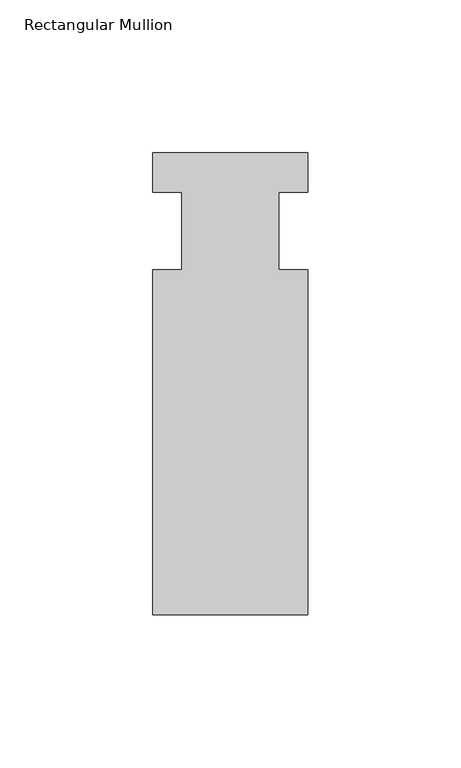
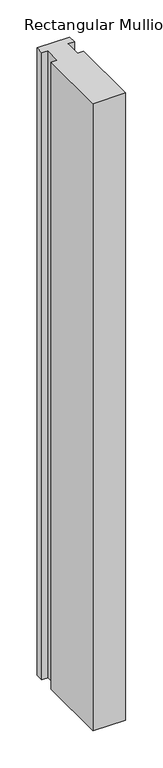
"""IFC4 building model written with IfcOpenShell, lengths in millimetres: member geometry, Rectangular Mullion."""

import ifcopenshell
import ifcopenshell.guid

model = None  # the IFC model being written
_history = None  # IfcOwnerHistory: only IFC2X3 demands one
_inside = {}  # id of a spatial element -> (the spatial element, [elements in it])
_under = {}  # id of a project, library or spatial element -> (it, [spatial elements below it])
_declared = {}  # id of a project -> (the project, [libraries it declares])
_typed = {}  # id of a type object -> (the type object, [elements of that type])
_made_of = {}  # id of a material, layer set ... -> (it, [elements and type objects made of it])


def new_model(schema):
    """Start an empty IFC model of exactly this schema.

    Asked for "IFC4X3", IfcOpenShell would pick the latest addendum, in which some entities
    have other attributes; the version numbers below select the first issue.
    IFC2X3 requires an IfcOwnerHistory on every rooted entity: one is made here for all.
    """
    global model, _history
    if schema == "IFC4X3":
        model = ifcopenshell.file(schema_version=(4, 3, 0, 0))
    else:
        model = ifcopenshell.file(schema=schema)
    _inside.clear()
    _under.clear()
    _declared.clear()
    _typed.clear()
    _made_of.clear()
    _history = None
    if model.schema == "IFC2X3":
        org = make("IfcOrganization", Name="unknown")
        user = make(
            "IfcPersonAndOrganization",
            ThePerson=make("IfcPerson", FamilyName="unknown"),
            TheOrganization=org,
        )
        app = make(
            "IfcApplication",
            ApplicationDeveloper=org,
            Version="unknown",
            ApplicationFullName="unknown",
            ApplicationIdentifier="unknown",
        )
        _history = make(
            "IfcOwnerHistory",
            OwningUser=user,
            OwningApplication=app,
            ChangeAction="ADDED",
            CreationDate=0,
        )
    return model


def make(cls, **values):
    """One entity of the class cls with the attributes given. An attribute that is None is left unset."""
    return model.create_entity(
        cls, **{name: value for name, value in values.items() if value is not None}
    )


def rooted(cls, **values):
    """An entity with a GlobalId (a new one), such as an element, a storey or a relation."""
    return make(cls, GlobalId=ifcopenshell.guid.new(), OwnerHistory=_history, **values)


def si_unit(unit_type, name, prefix=None):
    """IfcSIUnit, for example si_unit("LENGTHUNIT", "METRE", prefix="MILLI")."""
    return make("IfcSIUnit", UnitType=unit_type, Prefix=prefix, Name=name)


def assignment(units):
    """IfcUnitAssignment: the units of a project."""
    return None if units is None else make("IfcUnitAssignment", Units=units)


def point(xyz):
    """IfcCartesianPoint."""
    return None if xyz is None else make("IfcCartesianPoint", Coordinates=xyz)


def direction(xyz):
    """IfcDirection."""
    return None if xyz is None else make("IfcDirection", DirectionRatios=xyz)


def frame(location, z_axis=None, x_axis=None):
    """IfcAxis2Placement3D, a coordinate frame: its origin and axes. An axis left out is left unset."""
    return make(
        "IfcAxis2Placement3D",
        Location=point(location),
        Axis=direction(z_axis),
        RefDirection=direction(x_axis),
    )


def origin():
    """The frame at (0, 0, 0) with its axes left unset."""
    return frame((0.0, 0.0, 0.0))


def place(relative_to, where):
    """IfcLocalPlacement: puts the frame where relative to a parent placement (None: the world)."""
    return make(
        "IfcLocalPlacement", PlacementRelTo=relative_to, RelativePlacement=where
    )


def context(
    kind, dimensions, precision=None, world=None, true_north=None, identifier=None
):
    """IfcGeometricRepresentationContext, for example the 3D "Model" context."""
    return make(
        "IfcGeometricRepresentationContext",
        ContextIdentifier=identifier,
        ContextType=kind,
        CoordinateSpaceDimension=dimensions,
        Precision=precision,
        WorldCoordinateSystem=world,
        TrueNorth=true_north,
    )


def project(units=None, contexts=None):
    """IfcProject with its units and contexts."""
    return rooted(
        "IfcProject",
        Name="project",
        RepresentationContexts=contexts,
        UnitsInContext=assignment(units),
    )


def spatial(cls, under=None, at=None, **own):
    """A site, building, storey or space (cls), placed at a placement, below another one or the project."""
    s = rooted(cls, ObjectPlacement=at, **own)
    if under is not None:
        _under.setdefault(under.id(), (under, []))[1].append(s)
    return s


def polyline(points):
    """IfcPolyline through the points."""
    return make("IfcPolyline", Points=[point(p) for p in points])


def outline(outer, holes=None, kind="AREA"):
    """IfcArbitraryClosedProfileDef: a profile drawn as a closed curve; with holes, ...WithVoids."""
    if holes is None:
        return make("IfcArbitraryClosedProfileDef", ProfileType=kind, OuterCurve=outer)
    return make(
        "IfcArbitraryProfileDefWithVoids",
        ProfileType=kind,
        OuterCurve=outer,
        InnerCurves=holes,
    )


def extrude(swept, where, along, depth):
    """IfcExtrudedAreaSolid: the profile swept, set in the frame where, extruded along a direction by depth."""
    return make(
        "IfcExtrudedAreaSolid",
        SweptArea=swept,
        Position=where,
        ExtrudedDirection=direction(along),
        Depth=depth,
    )


def shape(context_of_items, identifier, shape_type, items):
    """IfcShapeRepresentation: the items that make up one representation, for example the "Body"."""
    return make(
        "IfcShapeRepresentation",
        ContextOfItems=context_of_items,
        RepresentationIdentifier=identifier,
        RepresentationType=shape_type,
        Items=items,
    )


def source(mapping_origin, context_of_items, identifier, shape_type, items):
    """IfcRepresentationMap: a shape defined once, which mapped items show again and again."""
    return make(
        "IfcRepresentationMap",
        MappingOrigin=mapping_origin,
        MappedRepresentation=shape(context_of_items, identifier, shape_type, items),
    )


def transform(
    local_origin,
    x_axis=None,
    y_axis=None,
    z_axis=None,
    scale=None,
    scale2=None,
    scale3=None,
    uniform=True,
):
    """IfcCartesianTransformationOperator3D, or its non-uniform kind. x_axis, y_axis, z_axis: its Axis1, 2, 3."""
    if uniform:
        return make(
            "IfcCartesianTransformationOperator3D",
            Axis1=direction(x_axis),
            Axis2=direction(y_axis),
            LocalOrigin=point(local_origin),
            Scale=scale,
            Axis3=direction(z_axis),
        )
    return make(
        "IfcCartesianTransformationOperator3DnonUniform",
        Axis1=direction(x_axis),
        Axis2=direction(y_axis),
        LocalOrigin=point(local_origin),
        Scale=scale,
        Axis3=direction(z_axis),
        Scale2=scale2,
        Scale3=scale3,
    )


def mapped(mapping_source, mapping_target):
    """IfcMappedItem: shows the shape of a source again, moved by a transform."""
    return make(
        "IfcMappedItem", MappingSource=mapping_source, MappingTarget=mapping_target
    )


def made_of(thing, what):
    """Note that an element or type object is made of a material, layer set ...; save() writes the relation."""
    if what is not None:
        _made_of.setdefault(what.id(), (what, []))[1].append(thing)
    return thing


def element(
    cls,
    number,
    at=None,
    inside=None,
    cuts=None,
    type_object=None,
    material=None,
    context=None,
    identifier="Body",
    shape_type=None,
    held_by="IfcProductDefinitionShape",
    body=None,
    shapes=None,
    **own,
):
    """One element of the class cls, such as IfcWall. Its Tag is "e" and its number.

    at: its placement. inside: the storey or other place that contains it. cuts: it is an
    opening in that element (IfcRelVoidsElement). A single representation is given by context,
    identifier, shape_type and body (its items); several are given by shapes. held_by: the class
    of the entity that holds the representations. save() writes the other relations.
    """
    e = rooted(cls, Tag="e%d" % number, ObjectPlacement=at, **own)
    if body is not None:
        shapes = [shape(context, identifier, shape_type, body)]
    if shapes is not None:
        e.Representation = make(held_by, Representations=shapes)
    if inside is not None:
        _inside.setdefault(inside.id(), (inside, []))[1].append(e)
    if cuts is not None:
        rooted(
            "IfcRelVoidsElement", RelatingBuildingElement=cuts, RelatedOpeningElement=e
        )
    if type_object is not None:
        _typed.setdefault(type_object.id(), (type_object, []))[1].append(e)
    return made_of(e, material)


def aggregate(whole, parts):
    """IfcRelAggregates: a whole, such as a stair, and the parts it consists of."""
    return rooted("IfcRelAggregates", RelatingObject=whole, RelatedObjects=parts)


def save(model, path):
    """Write the relations noted so far, then the file.

    IfcRelAggregates (storeys below a building ...), IfcRelContainedInSpatialStructure (elements
    in a storey), IfcRelDefinesByType, IfcRelAssociatesMaterial and IfcRelDeclares: one each for
    every whole, place, type object, material and project.
    """
    for whole, parts in _under.values():
        aggregate(whole, parts)
    for where, things in _inside.values():
        rooted(
            "IfcRelContainedInSpatialStructure",
            RelatedElements=things,
            RelatingStructure=where,
        )
    for kind, things in _typed.values():
        rooted("IfcRelDefinesByType", RelatedObjects=things, RelatingType=kind)
    for what, things in _made_of.values():
        rooted("IfcRelAssociatesMaterial", RelatedObjects=things, RelatingMaterial=what)
    for by, libraries in _declared.values():
        rooted("IfcRelDeclares", RelatingContext=by, RelatedDefinitions=libraries)
    model.write(path)


def rectangular_mullion_4992e3dc(model_context):
    return source(origin(), model_context, "Body", "SweptSolid", [
        extrude(outline(polyline([(-25.4, 25.5984375), (25.4, 25.5984375), (25.4, 12.7), (15.875, 12.7), (15.875, -12.7), (25.4, -12.7), (25.4, -125.6109375), (-25.4, -125.6109375), (-25.4, -12.7), (-15.875, -12.7), (-15.875, 12.7), (-25.4, 12.7), (-25.4, 25.5984375)])), frame((0.0, 0.0, -1031.45242), z_axis=(0.0, 0.0, 1.0), x_axis=(1.0, 0.0, 0.0)), (0.0, 0.0, 1.0), 1031.45242),
    ])


if __name__ == "__main__":
    model = new_model("IFC4")
    model_context = context("Model", 3, world=origin())
    ifc_project = project(units=[si_unit("LENGTHUNIT", "METRE", prefix="MILLI")], contexts=[model_context])
    site = spatial("IfcSite", under=ifc_project)
    building = spatial("IfcBuilding", under=site)
    placement = place(None, origin())
    rectangular_mullion_shape = rectangular_mullion_4992e3dc(model_context)
    element("IfcMember", 1, ObjectType="Rectangular Mullion", at=placement, inside=building, context=model_context, shape_type="MappedRepresentation", body=[
        mapped(rectangular_mullion_shape, transform((0.0, 0.0, 0.0), x_axis=(1.0, 0.0, 0.0), y_axis=(0.0, 1.0, 0.0), z_axis=(0.0, 0.0, 1.0))),
    ])
    save(model, "model.ifc")
